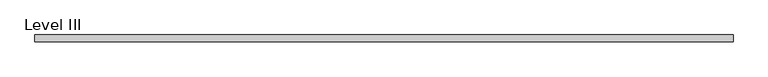
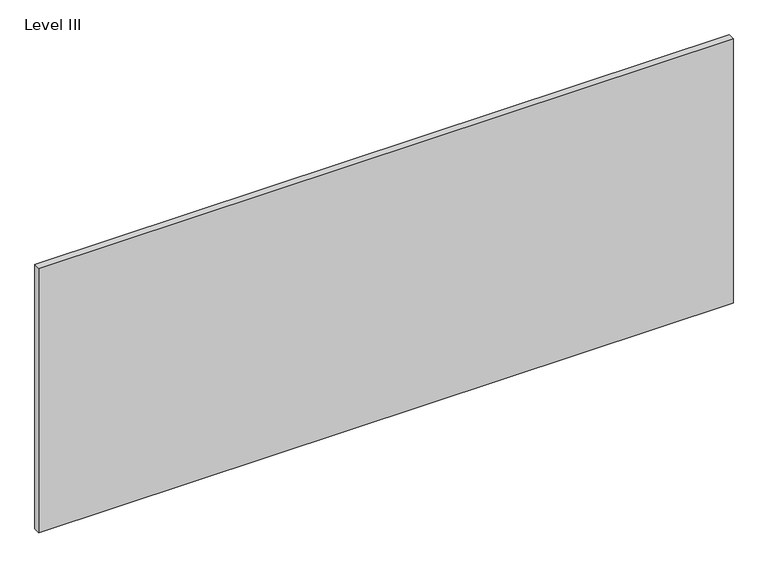
"""IFC4 building model written with IfcOpenShell, lengths in millimetres: proxy geometry, Level III."""

from ifc_helpers import new_model, si_unit, frame, origin, place, context, project, spatial, polyline, outline, extrude, source, transform, mapped, element, save


def level_iii_bffd5232(model_context):
    return source(origin(), model_context, "Body", "SweptSolid", [
        extrude(outline(polyline([(998.8407125, 9.525), (998.8407125, -9.525), (-998.8407125, -9.525), (-998.8407125, 9.525), (998.8407125, 9.525)])), frame((0.0, 0.0, 3.175), z_axis=(0.0, 0.0, 1.0), x_axis=(1.0, 0.0, 0.0)), (0.0, 0.0, 1.0), 804.418),
    ])


if __name__ == "__main__":
    model = new_model("IFC4")
    model_context = context("Model", 3, world=origin())
    ifc_project = project(units=[si_unit("LENGTHUNIT", "METRE", prefix="MILLI")], contexts=[model_context])
    site = spatial("IfcSite", under=ifc_project)
    building = spatial("IfcBuilding", under=site)
    placement = place(None, origin())
    level_iii_shape = level_iii_bffd5232(model_context)
    element("IfcBuildingElementProxy", 1, Name="Level III", ObjectType="Level III", at=placement, inside=building, context=model_context, shape_type="MappedRepresentation", body=[
        mapped(level_iii_shape, transform((0.0, 0.0, 0.0), x_axis=(1.0, 0.0, 0.0), y_axis=(0.0, 1.0, 0.0), z_axis=(0.0, 0.0, 1.0))),
    ])
    save(model, "model.ifc")
